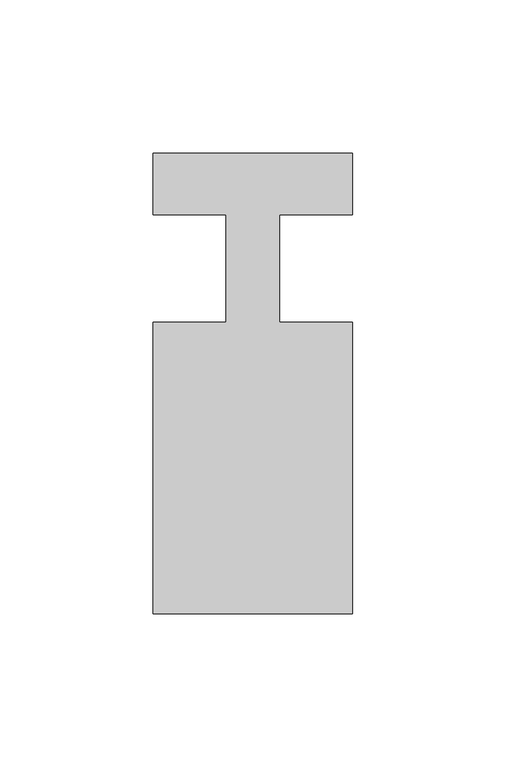
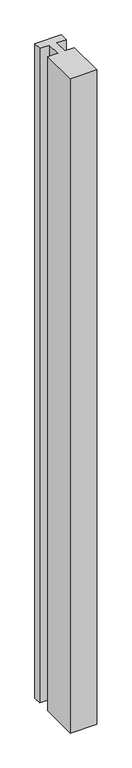
"""IFC4 building model written with IfcOpenShell, lengths in millimetres: member geometry."""

from ifc_helpers import new_model, si_unit, frame, origin, place, context, project, spatial, polyline, outline, extrude, source, transform, mapped, element, save


def member_43c1542b(model_context):
    return source(origin(), model_context, "Body", "SweptSolid", [
        extrude(outline(polyline([(-65.0, 37.0), (0.0, 37.0), (0.0, 17.0), (-23.8125, 17.0), (-23.8125, -18.0), (0.0, -18.0), (0.0, -113.0), (-65.0, -113.0), (-65.0, -18.0), (-41.1875, -18.0), (-41.1875, 17.0), (-65.0, 17.0), (-65.0, 37.0)])), frame((0.0, 0.0, -1700.0), z_axis=(0.0, 0.0, 1.0), x_axis=(1.0, 0.0, 0.0)), (0.0, 0.0, 1.0), 1700.0),
    ])


if __name__ == "__main__":
    model = new_model("IFC4")
    model_context = context("Model", 3, world=origin())
    ifc_project = project(units=[si_unit("LENGTHUNIT", "METRE", prefix="MILLI")], contexts=[model_context])
    site = spatial("IfcSite", under=ifc_project)
    building = spatial("IfcBuilding", under=site)
    placement = place(None, origin())
    member_shape = member_43c1542b(model_context)
    element("IfcMember", 1, at=placement, inside=building, context=model_context, shape_type="MappedRepresentation", body=[
        mapped(member_shape, transform((0.0, 0.0, 0.0), x_axis=(1.0, 0.0, 0.0), y_axis=(0.0, 1.0, 0.0), z_axis=(0.0, 0.0, 1.0))),
    ])
    save(model, "model.ifc")
